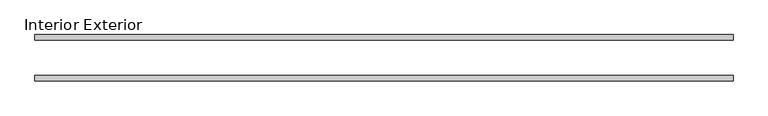
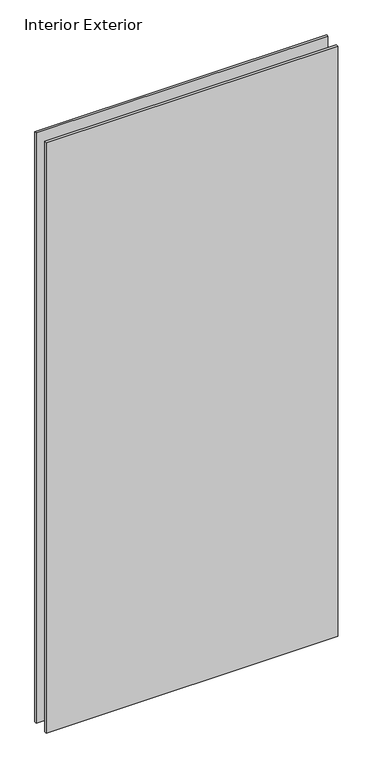
"""IFC4 building model written with IfcOpenShell, lengths in millimetres: plate geometry, Interior Exterior."""

from ifc_helpers import new_model, si_unit, frame, origin, place, context, project, spatial, polyline, outline, extrude, source, transform, mapped, element, save


def interior_exterior_4dfc0587(model_context):
    return source(origin(), model_context, "Body", "SweptSolid", [
        extrude(outline(polyline([(614.3956358, -41.275), (-630.2706358, -41.275), (-630.2706358, -31.75), (614.3956358, -31.75), (614.3956358, -41.275)])), frame((0.0, 0.0, -25.4), z_axis=(0.0, 0.0, 1.0), x_axis=(1.0, 0.0, 0.0)), (0.0, 0.0, 1.0), 2663.825),
        extrude(outline(polyline([(614.3956358, 41.275), (614.3956358, 31.75), (-630.2706358, 31.75), (-630.2706358, 41.275), (614.3956358, 41.275)])), frame((0.0, 0.0, -25.4), z_axis=(0.0, 0.0, 1.0), x_axis=(1.0, 0.0, 0.0)), (0.0, 0.0, 1.0), 2663.825),
    ])


if __name__ == "__main__":
    model = new_model("IFC4")
    model_context = context("Model", 3, world=origin())
    ifc_project = project(units=[si_unit("LENGTHUNIT", "METRE", prefix="MILLI")], contexts=[model_context])
    site = spatial("IfcSite", under=ifc_project)
    building = spatial("IfcBuilding", under=site)
    placement = place(None, origin())
    interior_exterior_shape = interior_exterior_4dfc0587(model_context)
    element("IfcPlate", 1, ObjectType="Interior Exterior", at=placement, inside=building, context=model_context, shape_type="MappedRepresentation", body=[
        mapped(interior_exterior_shape, transform((0.0, 0.0, 0.0), x_axis=(1.0, 0.0, 0.0), y_axis=(0.0, 1.0, 0.0), z_axis=(0.0, 0.0, 1.0))),
    ])
    save(model, "model.ifc")
